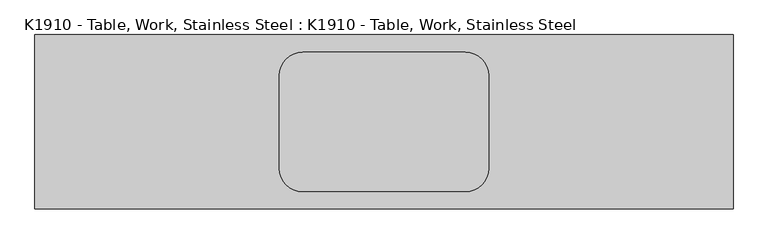
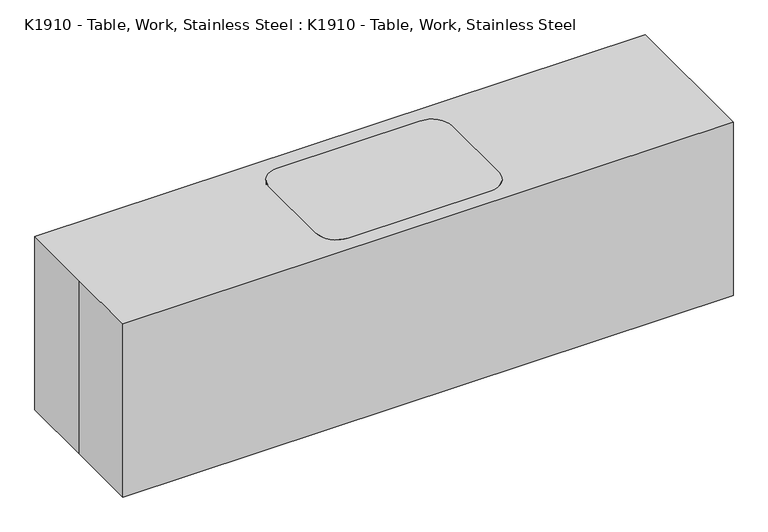
"""IFC4 building model written with IfcOpenShell, lengths in millimetres: proxy geometry, K1910 - Table, Work, Stainless Steel : K1910 - Table, Work, Stainless Steel."""

from ifc_helpers import new_model, si_unit, point, frame, frame_2d, origin, origin_with_axes, place, context, project, spatial, polyline, circle_curve, trimmed, segment, composite_curve, outline, extrude, source, transform, mapped, element, save


def k1910_table_work_stainless_steel_k1910_table_work_stainless_88653162(model_context):
    return source(origin(), model_context, "Body", "SweptSolid", [
        extrude(outline(composite_curve([segment(trimmed(circle_curve(frame_2d((-355.6, -203.2)), 38.1), [point((-317.5, -203.2))], [point((-393.7, -203.2))], False, "CARTESIAN"), True, "CONTINUOUS"), segment(trimmed(circle_curve(frame_2d((-355.6, -203.2)), 38.1), [point((-393.7, -203.2))], [point((-317.5, -203.2))], False, "CARTESIAN"), True, "CONTINUOUS")], self_intersect=False)), origin_with_axes(), (0.0, 0.0, 1.0), 863.6),
        extrude(outline(composite_curve([segment(trimmed(circle_curve(frame_2d((-355.6, 203.2)), 38.1), [point((-317.5, 203.2))], [point((-393.7, 203.2))], False, "CARTESIAN"), True, "CONTINUOUS"), segment(trimmed(circle_curve(frame_2d((-355.6, 203.2)), 38.1), [point((-393.7, 203.2))], [point((-317.5, 203.2))], False, "CARTESIAN"), True, "CONTINUOUS")], self_intersect=False)), origin_with_axes(), (0.0, 0.0, 1.0), 863.6),
        extrude(outline(composite_curve([segment(trimmed(circle_curve(frame_2d((355.6, 203.2)), 38.1), [point((317.5, 203.2))], [point((355.6, 165.1))], True, "CARTESIAN"), True, "CONTINUOUS"), segment(polyline([(355.6, 165.1), (355.6, -165.1)]), True, "CONTINUOUS"), segment(trimmed(circle_curve(frame_2d((355.6, -203.2)), 38.1), [point((355.6, -165.1))], [point((317.5, -203.2))], True, "CARTESIAN"), True, "CONTINUOUS"), segment(polyline([(317.5, -203.2), (-317.5, -203.2)]), True, "CONTINUOUS"), segment(trimmed(circle_curve(frame_2d((-355.6, -203.2)), 38.1), [point((-317.5, -203.2))], [point((-355.6, -165.1))], True, "CARTESIAN"), True, "CONTINUOUS"), segment(polyline([(-355.6, -165.1), (-355.6, 165.1)]), True, "CONTINUOUS"), segment(trimmed(circle_curve(frame_2d((-355.6, 203.2)), 38.1), [point((-355.6, 165.1))], [point((-317.5, 203.2))], True, "CARTESIAN"), True, "CONTINUOUS"), segment(polyline([(-317.5, 203.2), (317.5, 203.2)]), True, "CONTINUOUS")], self_intersect=False)), frame((0.0, 0.0, 304.8), z_axis=(0.0, 0.0, 1.0), x_axis=(1.0, 0.0, 0.0)), (0.0, 0.0, 1.0), 25.4),
        extrude(outline(composite_curve([segment(trimmed(circle_curve(frame_2d((355.6, -203.2)), 38.1), [point((317.5, -203.2))], [point((393.7, -203.2))], False, "CARTESIAN"), True, "CONTINUOUS"), segment(trimmed(circle_curve(frame_2d((355.6, -203.2)), 38.1), [point((393.7, -203.2))], [point((317.5, -203.2))], False, "CARTESIAN"), True, "CONTINUOUS")], self_intersect=False)), origin_with_axes(), (0.0, 0.0, 1.0), 863.6),
        extrude(outline(composite_curve([segment(trimmed(circle_curve(frame_2d((355.6, 203.2)), 38.1), [point((317.5, 203.2))], [point((393.7, 203.2))], False, "CARTESIAN"), True, "CONTINUOUS"), segment(trimmed(circle_curve(frame_2d((355.6, 203.2)), 38.1), [point((393.7, 203.2))], [point((317.5, 203.2))], False, "CARTESIAN"), True, "CONTINUOUS")], self_intersect=False)), origin_with_axes(), (0.0, 0.0, 1.0), 863.6),
        extrude(outline(composite_curve([segment(trimmed(circle_curve(frame_2d((-355.6, 203.2)), 101.6), [point((-457.2, 203.2))], [point((-355.6, 304.8))], False, "CARTESIAN"), True, "CONTINUOUS"), segment(polyline([(-355.6, 304.8), (355.6, 304.8)]), True, "CONTINUOUS"), segment(trimmed(circle_curve(frame_2d((355.6, 203.2)), 101.6), [point((355.6, 304.8))], [point((457.2, 203.2))], False, "CARTESIAN"), True, "CONTINUOUS"), segment(polyline([(457.2, 203.2), (457.2, -203.2)]), True, "CONTINUOUS"), segment(trimmed(circle_curve(frame_2d((355.6, -203.2)), 101.6), [point((457.2, -203.2))], [point((355.6, -304.8))], False, "CARTESIAN"), True, "CONTINUOUS"), segment(polyline([(355.6, -304.8), (-355.6, -304.8)]), True, "CONTINUOUS"), segment(trimmed(circle_curve(frame_2d((-355.6, -203.2)), 101.6), [point((-355.6, -304.8))], [point((-457.2, -203.2))], False, "CARTESIAN"), True, "CONTINUOUS"), segment(polyline([(-457.2, -203.2), (-457.2, 203.2)]), True, "CONTINUOUS")], self_intersect=False)), frame((0.0, 0.0, 863.6), z_axis=(0.0, 0.0, 1.0), x_axis=(1.0, 0.0, 0.0)), (0.0, 0.0, 1.0), 50.8),
        extrude(outline(polyline([(-1524.0, 381.0), (1524.0, 381.0), (1524.0, -381.0), (-1524.0, -381.0), (-1524.0, 0.0), (-1524.0, 381.0)])), origin_with_axes(), (0.0, 0.0, 1.0), 914.4),
    ])


if __name__ == "__main__":
    model = new_model("IFC4")
    model_context = context("Model", 3, world=origin())
    ifc_project = project(units=[si_unit("LENGTHUNIT", "METRE", prefix="MILLI")], contexts=[model_context])
    site = spatial("IfcSite", under=ifc_project)
    building = spatial("IfcBuilding", under=site)
    placement = place(None, origin())
    k1910_table_work_stainless_steel_k1910_table_work_stainless_shape = k1910_table_work_stainless_steel_k1910_table_work_stainless_88653162(model_context)
    element("IfcBuildingElementProxy", 1, Name="K1910 - Table, Work, Stainless Steel : K1910 - Table, Work, Stainless Steel", ObjectType="K1910 - Table, Work, Stainless Steel : K1910 - Table, Work, Stainless Steel", at=placement, inside=building, context=model_context, shape_type="MappedRepresentation", body=[
        mapped(k1910_table_work_stainless_steel_k1910_table_work_stainless_shape, transform((0.0, 0.0, 0.0), x_axis=(1.0, 0.0, 0.0), y_axis=(0.0, 1.0, 0.0), z_axis=(0.0, 0.0, 1.0))),
    ])
    save(model, "model.ifc")
